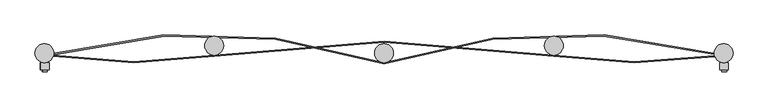
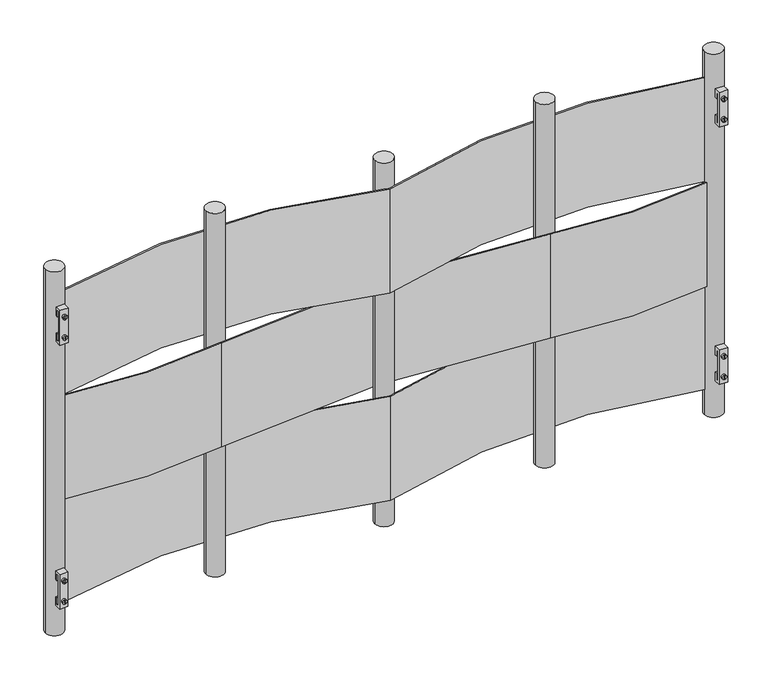
"""IFC4 building model written with IfcOpenShell, lengths in millimetres: proxy geometry."""

from ifc_helpers import new_model, si_unit, point, frame, frame_2d, origin, place, context, project, spatial, polyline, circle_curve, trimmed, segment, composite_curve, outline, extrude, source, transform, mapped, element, save


def generic_models_002bf797(model_context):
    return source(origin(), model_context, "Body", "SweptSolid", [
        extrude(outline(composite_curve([segment(trimmed(circle_curve(frame_2d((1555.5591364, -1019.0415846)), 6.35), [point((1555.5591364, -1025.3915846))], [point((1555.5591364, -1012.6915846))], False, "CARTESIAN"), True, "CONTINUOUS"), segment(trimmed(circle_curve(frame_2d((1555.5591364, -1019.0415846)), 6.35), [point((1555.5591364, -1012.6915846))], [point((1555.5591364, -1025.3915846))], False, "CARTESIAN"), True, "CONTINUOUS")], self_intersect=False), holes=[polyline([(1559.7942167, -1018.1409704), (1551.3511547, -1018.1409704), (1551.3511547, -1019.8999416), (1559.7942167, -1019.8999416), (1559.7942167, -1018.1409704)])]), frame((0.0, 106.9552242, 0.0), z_axis=(0.0, 1.0, 0.0), x_axis=(0.0, 0.0, 1.0)), (0.0, 0.0, 1.0), 5.3772947),
        extrude(outline(composite_curve([segment(trimmed(circle_curve(frame_2d((1495.4077679, -1019.0415846)), 6.35), [point((1495.4077679, -1025.3915846))], [point((1495.4077679, -1012.6915846))], False, "CARTESIAN"), True, "CONTINUOUS"), segment(trimmed(circle_curve(frame_2d((1495.4077679, -1019.0415846)), 6.35), [point((1495.4077679, -1012.6915846))], [point((1495.4077679, -1025.3915846))], False, "CARTESIAN"), True, "CONTINUOUS")], self_intersect=False), holes=[polyline([(1499.457809, -1017.7482345), (1491.0147471, -1017.7482345), (1491.0147471, -1019.6831028), (1499.457809, -1019.6831028), (1499.457809, -1017.7482345)])]), frame((0.0, 106.9552242, 0.0), z_axis=(0.0, 1.0, 0.0), x_axis=(0.0, 0.0, 1.0)), (0.0, 0.0, 1.0), 5.3772947),
        extrude(outline(polyline([(131.3825188, 1576.2834521), (131.3825188, 1550.8834521), (125.0325188, 1550.8834521), (125.0325188, 1569.9334521), (118.6825188, 1569.9334521), (118.6825188, 1481.0334521), (125.0325188, 1481.0334521), (125.0325188, 1500.0834521), (131.3825188, 1500.0834521), (131.3825188, 1474.6834521), (112.3325188, 1474.6834521), (112.3325188, 1576.2834521), (131.3825188, 1576.2834521)])), frame((-1030.5643197, 0.0, 0.0), z_axis=(1.0, 0.0, 0.0), x_axis=(0.0, 1.0, 0.0)), (0.0, 0.0, 1.0), 23.0939946),
        extrude(outline(composite_curve([segment(trimmed(circle_curve(frame_2d((781.4426246, -1020.2958002)), 6.35), [point((781.4426246, -1026.6458002))], [point((781.4426246, -1013.9458002))], False, "CARTESIAN"), True, "CONTINUOUS"), segment(trimmed(circle_curve(frame_2d((781.4426246, -1020.2958002)), 6.35), [point((781.4426246, -1013.9458002))], [point((781.4426246, -1026.6458002))], False, "CARTESIAN"), True, "CONTINUOUS")], self_intersect=False), holes=[polyline([(785.6777049, -1019.3951861), (777.234643, -1019.3951861), (777.234643, -1021.1541573), (785.6777049, -1021.1541573), (785.6777049, -1019.3951861)])]), frame((0.0, 106.9552242, 0.0), z_axis=(0.0, 1.0, 0.0), x_axis=(0.0, 0.0, 1.0)), (0.0, 0.0, 1.0), 5.3772947),
        extrude(outline(composite_curve([segment(trimmed(circle_curve(frame_2d((721.2912561, -1020.2958002)), 6.35), [point((721.2912561, -1026.6458002))], [point((721.2912561, -1013.9458002))], False, "CARTESIAN"), True, "CONTINUOUS"), segment(trimmed(circle_curve(frame_2d((721.2912561, -1020.2958002)), 6.35), [point((721.2912561, -1013.9458002))], [point((721.2912561, -1026.6458002))], False, "CARTESIAN"), True, "CONTINUOUS")], self_intersect=False), holes=[polyline([(725.3412972, -1019.0024501), (716.8982353, -1019.0024501), (716.8982353, -1020.9373185), (725.3412972, -1020.9373185), (725.3412972, -1019.0024501)])]), frame((0.0, 106.9552242, 0.0), z_axis=(0.0, 1.0, 0.0), x_axis=(0.0, 0.0, 1.0)), (0.0, 0.0, 1.0), 5.3772947),
        extrude(outline(polyline([(131.3825188, 802.1669404), (131.3825188, 776.7669404), (125.0325188, 776.7669404), (125.0325188, 795.8169404), (118.6825188, 795.8169404), (118.6825188, 706.9169404), (125.0325188, 706.9169404), (125.0325188, 725.9669404), (131.3825188, 725.9669404), (131.3825188, 700.5669404), (112.3325188, 700.5669404), (112.3325188, 802.1669404), (131.3825188, 802.1669404)])), frame((-1031.8185354, 0.0, 0.0), z_axis=(1.0, 0.0, 0.0), x_axis=(0.0, 1.0, 0.0)), (0.0, 0.0, 1.0), 23.0939946),
        extrude(outline(composite_curve([segment(trimmed(circle_curve(frame_2d((799.9091364, 809.7584154)), 6.35), [point((799.9091364, 803.4084154))], [point((799.9091364, 816.1084154))], False, "CARTESIAN"), True, "CONTINUOUS"), segment(trimmed(circle_curve(frame_2d((799.9091364, 809.7584154)), 6.35), [point((799.9091364, 816.1084154))], [point((799.9091364, 803.4084154))], False, "CARTESIAN"), True, "CONTINUOUS")], self_intersect=False), holes=[polyline([(804.1442167, 810.6590296), (795.7011547, 810.6590296), (795.7011547, 808.9000584), (804.1442167, 808.9000584), (804.1442167, 810.6590296)])]), frame((0.0, 106.9552242, 0.0), z_axis=(0.0, 1.0, 0.0), x_axis=(0.0, 0.0, 1.0)), (0.0, 0.0, 1.0), 5.3772947),
        extrude(outline(composite_curve([segment(trimmed(circle_curve(frame_2d((739.7577679, 809.7584154)), 6.35), [point((739.7577679, 803.4084154))], [point((739.7577679, 816.1084154))], False, "CARTESIAN"), True, "CONTINUOUS"), segment(trimmed(circle_curve(frame_2d((739.7577679, 809.7584154)), 6.35), [point((739.7577679, 816.1084154))], [point((739.7577679, 803.4084154))], False, "CARTESIAN"), True, "CONTINUOUS")], self_intersect=False), holes=[polyline([(743.807809, 811.0517655), (735.3647471, 811.0517655), (735.3647471, 809.1168972), (743.807809, 809.1168972), (743.807809, 811.0517655)])]), frame((0.0, 106.9552242, 0.0), z_axis=(0.0, 1.0, 0.0), x_axis=(0.0, 0.0, 1.0)), (0.0, 0.0, 1.0), 5.3772947),
        extrude(outline(polyline([(131.3825188, 820.6334521), (131.3825188, 795.2334521), (125.0325188, 795.2334521), (125.0325188, 814.2834521), (118.6825188, 814.2834521), (118.6825188, 725.3834521), (125.0325188, 725.3834521), (125.0325188, 744.4334521), (131.3825188, 744.4334521), (131.3825188, 719.0334521), (112.3325188, 719.0334521), (112.3325188, 820.6334521), (131.3825188, 820.6334521)])), frame((798.2356803, 0.0, 0.0), z_axis=(1.0, 0.0, 0.0), x_axis=(0.0, 1.0, 0.0)), (0.0, 0.0, 1.0), 23.0939946),
        extrude(outline(composite_curve([segment(trimmed(circle_curve(frame_2d((1555.5591364, 809.7584154)), 6.35), [point((1555.5591364, 803.4084154))], [point((1555.5591364, 816.1084154))], False, "CARTESIAN"), True, "CONTINUOUS"), segment(trimmed(circle_curve(frame_2d((1555.5591364, 809.7584154)), 6.35), [point((1555.5591364, 816.1084154))], [point((1555.5591364, 803.4084154))], False, "CARTESIAN"), True, "CONTINUOUS")], self_intersect=False), holes=[polyline([(1559.7942167, 810.6590296), (1551.3511547, 810.6590296), (1551.3511547, 808.9000584), (1559.7942167, 808.9000584), (1559.7942167, 810.6590296)])]), frame((0.0, 106.9552242, 0.0), z_axis=(0.0, 1.0, 0.0), x_axis=(0.0, 0.0, 1.0)), (0.0, 0.0, 1.0), 5.3772947),
        extrude(outline(composite_curve([segment(trimmed(circle_curve(frame_2d((1495.4077679, 809.7584154)), 6.35), [point((1495.4077679, 803.4084154))], [point((1495.4077679, 816.1084154))], False, "CARTESIAN"), True, "CONTINUOUS"), segment(trimmed(circle_curve(frame_2d((1495.4077679, 809.7584154)), 6.35), [point((1495.4077679, 816.1084154))], [point((1495.4077679, 803.4084154))], False, "CARTESIAN"), True, "CONTINUOUS")], self_intersect=False), holes=[polyline([(1499.457809, 811.0517655), (1491.0147471, 811.0517655), (1491.0147471, 809.1168972), (1499.457809, 809.1168972), (1499.457809, 811.0517655)])]), frame((0.0, 106.9552242, 0.0), z_axis=(0.0, 1.0, 0.0), x_axis=(0.0, 0.0, 1.0)), (0.0, 0.0, 1.0), 5.3772947),
        extrude(outline(polyline([(131.3825188, 1576.2834521), (131.3825188, 1550.8834521), (125.0325188, 1550.8834521), (125.0325188, 1569.9334521), (118.6825188, 1569.9334521), (118.6825188, 1481.0334521), (125.0325188, 1481.0334521), (125.0325188, 1500.0834521), (131.3825188, 1500.0834521), (131.3825188, 1474.6834521), (112.3325188, 1474.6834521), (112.3325188, 1576.2834521), (131.3825188, 1576.2834521)])), frame((798.2356803, 0.0, 0.0), z_axis=(1.0, 0.0, 0.0), x_axis=(0.0, 1.0, 0.0)), (0.0, 0.0, 1.0), 23.0939946),
        extrude(outline(composite_curve([segment(trimmed(circle_curve(frame_2d((570.4673756, 1485.369264)), 1351.3065485), [point((351.1000063, 151.9873437))], [point((783.0420233, 150.8875642))], True, "CARTESIAN"), True, "CONTINUOUS"), segment(polyline([(783.0420233, 150.8875642), (783.868213, 147.8041823)]), True, "CONTINUOUS"), segment(trimmed(circle_curve(frame_2d((570.4673756, 1485.369264)), 1354.4815485), [point((783.868213, 147.8041823))], [point((350.5845856, 148.8544591))], False, "CARTESIAN"), True, "CONTINUOUS"), segment(trimmed(circle_curve(frame_2d((-106.0999937, -2627.0139995)), 2813.1844064), [point((350.5845856, 148.8544591))], [point((-562.784573, 148.8544591))], True, "CARTESIAN"), True, "CONTINUOUS"), segment(trimmed(circle_curve(frame_2d((-781.3559993, 1477.3983947)), 1346.403527), [point((-562.784573, 148.8544591))], [point((-996.6813411, 148.3244861))], False, "CARTESIAN"), True, "CONTINUOUS"), segment(polyline([(-996.6813411, 148.3244861), (-996.1735751, 151.4586205)]), True, "CONTINUOUS"), segment(trimmed(circle_curve(frame_2d((-781.3559993, 1477.3983947)), 1343.228527), [point((-996.1735751, 151.4586205))], [point((-563.2999937, 151.9873437))], True, "CARTESIAN"), True, "CONTINUOUS"), segment(trimmed(circle_curve(frame_2d((-106.0999937, -2627.0139995)), 2816.3594064), [point((-563.2999937, 151.9873437))], [point((351.1000063, 151.9873437))], False, "CARTESIAN"), True, "CONTINUOUS")], self_intersect=False)), frame((0.0, 0.0, 990.6), z_axis=(0.0, 0.0, 1.0), x_axis=(1.0, 0.0, 0.0)), (0.0, 0.0, 1.0), 304.8),
        extrude(outline(composite_curve([segment(trimmed(circle_curve(frame_2d((380.5666606, -1346.6032249)), 1556.4320521), [point((-106.1894564, 131.7570882))], [point((781.2657636, 157.3651796))], False, "CARTESIAN"), True, "CONTINUOUS"), segment(polyline([(781.2657636, 157.3651796), (781.2657636, 154.0791861)]), True, "CONTINUOUS"), segment(trimmed(circle_curve(frame_2d((380.5666606, -1346.6032249)), 1553.2570521), [point((781.2657636, 154.0791861))], [point((-106.1898617, 128.4139133))], True, "CARTESIAN"), True, "CONTINUOUS"), segment(trimmed(circle_curve(frame_2d((-592.3307559, -1343.5349433)), 1550.150446), [point((-106.1898617, 128.4139133))], [point((-995.0999937, 153.3763254))], True, "CARTESIAN"), True, "CONTINUOUS"), segment(polyline([(-995.0999937, 153.3763254), (-995.0999937, 156.6640043)]), True, "CONTINUOUS"), segment(trimmed(circle_curve(frame_2d((-592.3307559, -1343.5349433)), 1553.325446), [point((-995.0999937, 156.6640043))], [point((-106.1894564, 131.7570882))], False, "CARTESIAN"), True, "CONTINUOUS")], self_intersect=False)), frame((0.0, 0.0, 1295.4), z_axis=(0.0, 0.0, 1.0), x_axis=(1.0, 0.0, 0.0)), (0.0, 0.0, 1.0), 304.8),
        extrude(outline(composite_curve([segment(trimmed(circle_curve(frame_2d((381.3818376, -1346.6032249)), 1556.4320521), [point((-105.3742794, 131.7570882))], [point((782.0809406, 157.3651796))], False, "CARTESIAN"), True, "CONTINUOUS"), segment(polyline([(782.0809406, 157.3651796), (782.0809406, 154.0791861)]), True, "CONTINUOUS"), segment(trimmed(circle_curve(frame_2d((381.3818376, -1346.6032249)), 1553.2570521), [point((782.0809406, 154.0791861))], [point((-105.3746847, 128.4139133))], True, "CARTESIAN"), True, "CONTINUOUS"), segment(trimmed(circle_curve(frame_2d((-591.5155789, -1343.5349433)), 1550.150446), [point((-105.3746847, 128.4139133))], [point((-994.2848167, 153.3763254))], True, "CARTESIAN"), True, "CONTINUOUS"), segment(polyline([(-994.2848167, 153.3763254), (-994.2848167, 156.6640043)]), True, "CONTINUOUS"), segment(trimmed(circle_curve(frame_2d((-591.5155789, -1343.5349433)), 1553.325446), [point((-994.2848167, 156.6640043))], [point((-105.3742794, 131.7570882))], False, "CARTESIAN"), True, "CONTINUOUS")], self_intersect=False)), frame((0.0, 0.0, 685.8), z_axis=(0.0, 0.0, 1.0), x_axis=(1.0, 0.0, 0.0)), (0.0, 0.0, 1.0), 304.8),
        extrude(outline(composite_curve([segment(trimmed(circle_curve(frame_2d((-563.2999937, 177.3873437)), 25.4), [point((-537.8999937, 177.3873437))], [point((-588.6999937, 177.3873437))], False, "CARTESIAN"), True, "CONTINUOUS"), segment(trimmed(circle_curve(frame_2d((-563.2999937, 177.3873437)), 25.4), [point((-588.6999937, 177.3873437))], [point((-537.8999937, 177.3873437))], False, "CARTESIAN"), True, "CONTINUOUS")], self_intersect=False)), frame((0.0, 0.0, 609.6), z_axis=(0.0, 0.0, 1.0), x_axis=(1.0, 0.0, 0.0)), (0.0, 0.0, 1.0), 1066.8),
        extrude(outline(composite_curve([segment(trimmed(circle_curve(frame_2d((351.1000063, 177.3873437)), 25.4), [point((376.5000063, 177.3873437))], [point((325.7000063, 177.3873437))], False, "CARTESIAN"), True, "CONTINUOUS"), segment(trimmed(circle_curve(frame_2d((351.1000063, 177.3873437)), 25.4), [point((325.7000063, 177.3873437))], [point((376.5000063, 177.3873437))], False, "CARTESIAN"), True, "CONTINUOUS")], self_intersect=False)), frame((0.0, 0.0, 609.6), z_axis=(0.0, 0.0, 1.0), x_axis=(1.0, 0.0, 0.0)), (0.0, 0.0, 1.0), 1066.8),
        extrude(outline(composite_curve([segment(trimmed(circle_curve(frame_2d((-1020.4999937, 157.1467187)), 25.4), [point((-995.0999937, 157.1467187))], [point((-1045.8999937, 157.1467187))], False, "CARTESIAN"), True, "CONTINUOUS"), segment(trimmed(circle_curve(frame_2d((-1020.4999937, 157.1467187)), 25.4), [point((-1045.8999937, 157.1467187))], [point((-995.0999937, 157.1467187))], False, "CARTESIAN"), True, "CONTINUOUS")], self_intersect=False)), frame((0.0, 0.0, 609.6), z_axis=(0.0, 0.0, 1.0), x_axis=(1.0, 0.0, 0.0)), (0.0, 0.0, 1.0), 1066.8),
        extrude(outline(composite_curve([segment(trimmed(circle_curve(frame_2d((-106.0999937, 157.1467187)), 25.4), [point((-80.6999937, 157.1467187))], [point((-131.4999937, 157.1467187))], False, "CARTESIAN"), True, "CONTINUOUS"), segment(trimmed(circle_curve(frame_2d((-106.0999937, 157.1467187)), 25.4), [point((-131.4999937, 157.1467187))], [point((-80.6999937, 157.1467187))], False, "CARTESIAN"), True, "CONTINUOUS")], self_intersect=False)), frame((0.0, 0.0, 609.6), z_axis=(0.0, 0.0, 1.0), x_axis=(1.0, 0.0, 0.0)), (0.0, 0.0, 1.0), 1066.8),
        extrude(outline(composite_curve([segment(trimmed(circle_curve(frame_2d((808.3000063, 157.1467187)), 25.4), [point((833.7000063, 157.1467187))], [point((782.9000063, 157.1467187))], False, "CARTESIAN"), True, "CONTINUOUS"), segment(trimmed(circle_curve(frame_2d((808.3000063, 157.1467187)), 25.4), [point((782.9000063, 157.1467187))], [point((833.7000063, 157.1467187))], False, "CARTESIAN"), True, "CONTINUOUS")], self_intersect=False)), frame((0.0, 0.0, 609.6), z_axis=(0.0, 0.0, 1.0), x_axis=(1.0, 0.0, 0.0)), (0.0, 0.0, 1.0), 1066.8),
    ])


if __name__ == "__main__":
    model = new_model("IFC4")
    model_context = context("Model", 3, world=origin())
    ifc_project = project(units=[si_unit("LENGTHUNIT", "METRE", prefix="MILLI")], contexts=[model_context])
    site = spatial("IfcSite", under=ifc_project)
    building = spatial("IfcBuilding", under=site)
    placement = place(None, origin())
    generic_models_shape = generic_models_002bf797(model_context)
    element("IfcBuildingElementProxy", 1, Name="Generic Models", at=placement, inside=building, context=model_context, shape_type="MappedRepresentation", body=[
        mapped(generic_models_shape, transform((0.0, 0.0, 0.0), x_axis=(1.0, 0.0, 0.0), y_axis=(0.0, 1.0, 0.0), z_axis=(0.0, 0.0, 1.0))),
    ])
    save(model, "model.ifc")
